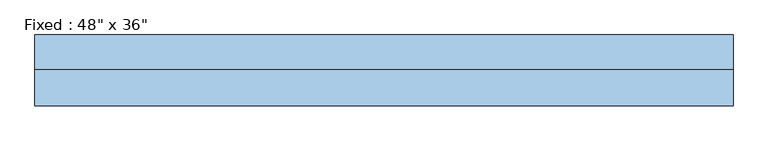
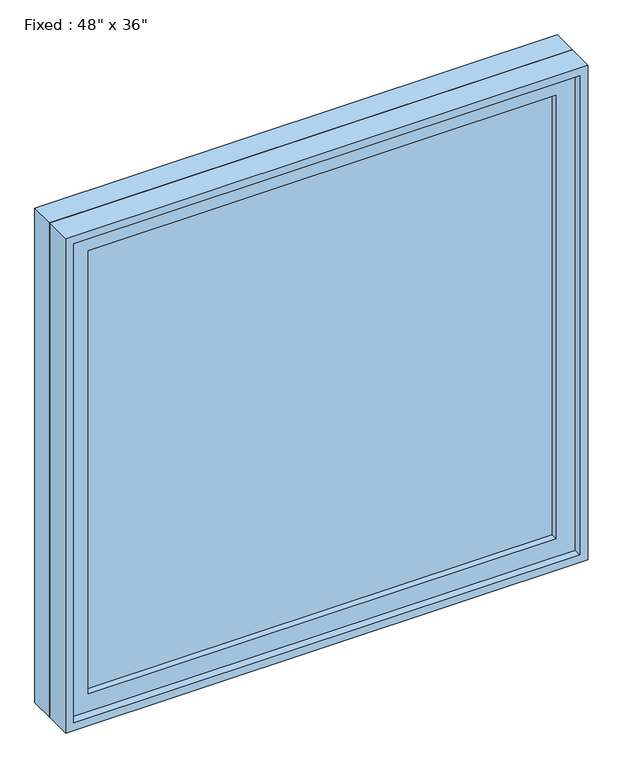
"""IFC4 building model written with IfcOpenShell, lengths in millimetres: window geometry."""

from ifc_helpers import new_model, si_unit, frame, origin, place, context, project, spatial, polyline, outline, extrude, source, transform, mapped, element, save


def window_33a7190b(model_context):
    return source(origin(), model_context, "Body", "SweptSolid", [
        extrude(outline(polyline([(508.0, -14.2875), (508.0, -26.9875), (-584.2, -26.9875), (-584.2, -14.2875), (508.0, -14.2875)])), frame((0.0, 0.0, 977.9), z_axis=(0.0, 0.0, 1.0), x_axis=(1.0, 0.0, 0.0)), (0.0, 0.0, 1.0), 1092.2),
        extrude(outline(polyline([(2114.55, -628.65), (933.45, -628.65), (933.45, 552.45), (2114.55, 552.45), (2114.55, -628.65)]), holes=[polyline([(2070.1, -584.2), (2070.1, 508.0), (977.9, 508.0), (977.9, -584.2), (2070.1, -584.2)])]), frame((0.0, -42.8625, 0.0), z_axis=(0.0, 1.0, 0.0), x_axis=(0.0, 0.0, 1.0)), (0.0, 0.0, 1.0), 44.45),
        extrude(outline(polyline([(2133.6, -647.7), (914.4, -647.7), (914.4, 571.5), (2133.6, 571.5), (2133.6, -647.7)]), holes=[polyline([(2101.85, -615.95), (2101.85, 539.75), (946.15, 539.75), (946.15, -615.95), (2101.85, -615.95)])]), frame((0.0, 1.5875, 0.0), z_axis=(0.0, 1.0, 0.0), x_axis=(0.0, 0.0, 1.0)), (0.0, 0.0, 1.0), 60.325),
        extrude(outline(polyline([(2133.6, 571.5), (2133.6, -647.7), (914.4, -647.7), (914.4, 571.5), (2133.6, 571.5)]), holes=[polyline([(2114.55, 552.45), (933.45, 552.45), (933.45, -628.65), (2114.55, -628.65), (2114.55, 552.45)])]), frame((0.0, -61.9125, 0.0), z_axis=(0.0, 1.0, 0.0), x_axis=(0.0, 0.0, 1.0)), (0.0, 0.0, 1.0), 63.5),
    ])


if __name__ == "__main__":
    model = new_model("IFC4")
    model_context = context("Model", 3, world=origin())
    ifc_project = project(units=[si_unit("LENGTHUNIT", "METRE", prefix="MILLI")], contexts=[model_context])
    site = spatial("IfcSite", under=ifc_project)
    building = spatial("IfcBuilding", under=site)
    placement = place(None, origin())
    window_shape = window_33a7190b(model_context)
    element("IfcWindow", 1, ObjectType="Fixed : 48\" x 36\"", at=placement, inside=building, context=model_context, shape_type="MappedRepresentation", body=[
        mapped(window_shape, transform((0.0, 0.0, 0.0), x_axis=(1.0, 0.0, 0.0), y_axis=(0.0, 1.0, 0.0), z_axis=(0.0, 0.0, 1.0))),
    ])
    save(model, "model.ifc")
